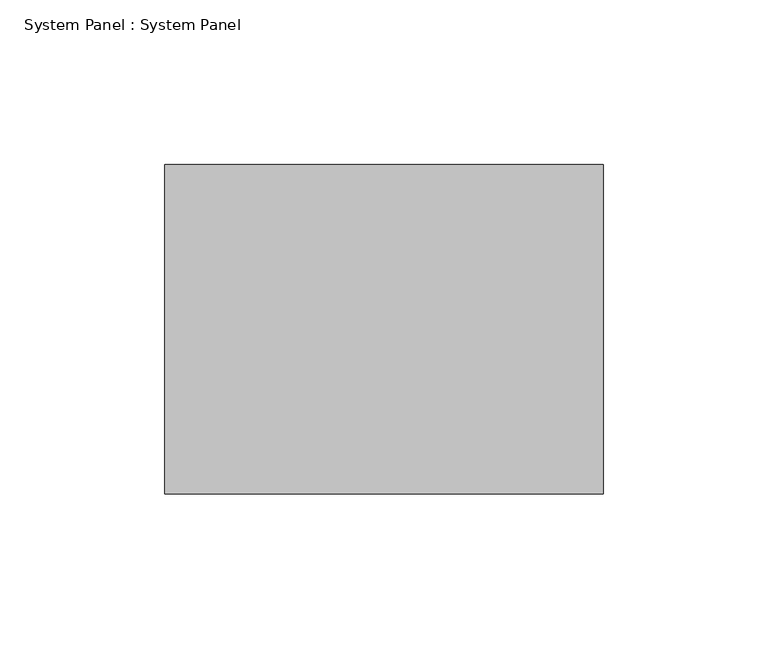
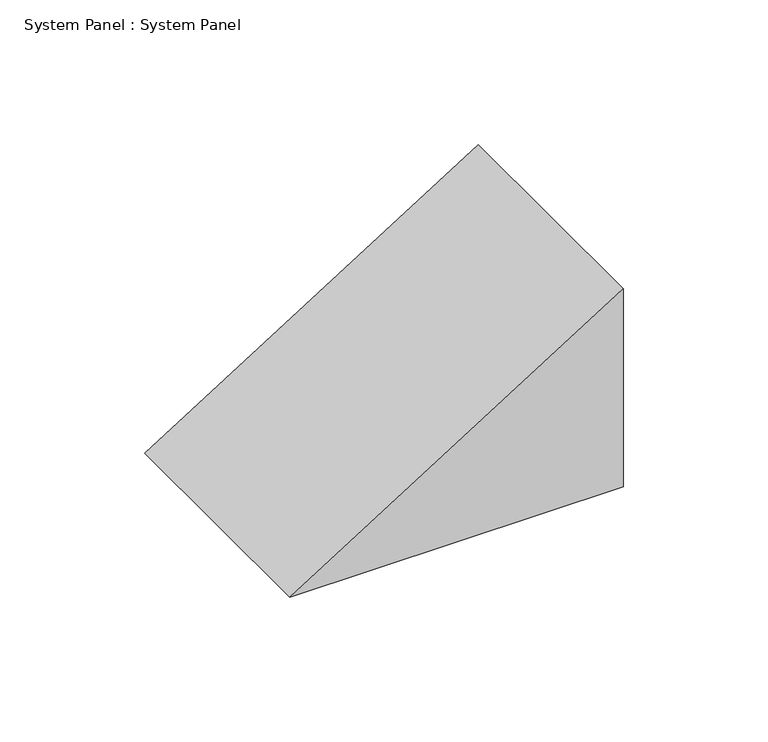
"""IFC4 building model written with IfcOpenShell, lengths in millimetres: plate geometry, System Panel : System Panel."""

import ifcopenshell
import ifcopenshell.guid

model = None  # the IFC model being written
_history = None  # IfcOwnerHistory: only IFC2X3 demands one
_inside = {}  # id of a spatial element -> (the spatial element, [elements in it])
_under = {}  # id of a project, library or spatial element -> (it, [spatial elements below it])
_declared = {}  # id of a project -> (the project, [libraries it declares])
_typed = {}  # id of a type object -> (the type object, [elements of that type])
_made_of = {}  # id of a material, layer set ... -> (it, [elements and type objects made of it])


def new_model(schema):
    """Start an empty IFC model of exactly this schema.

    Asked for "IFC4X3", IfcOpenShell would pick the latest addendum, in which some entities
    have other attributes; the version numbers below select the first issue.
    IFC2X3 requires an IfcOwnerHistory on every rooted entity: one is made here for all.
    """
    global model, _history
    if schema == "IFC4X3":
        model = ifcopenshell.file(schema_version=(4, 3, 0, 0))
    else:
        model = ifcopenshell.file(schema=schema)
    _inside.clear()
    _under.clear()
    _declared.clear()
    _typed.clear()
    _made_of.clear()
    _history = None
    if model.schema == "IFC2X3":
        org = make("IfcOrganization", Name="unknown")
        user = make(
            "IfcPersonAndOrganization",
            ThePerson=make("IfcPerson", FamilyName="unknown"),
            TheOrganization=org,
        )
        app = make(
            "IfcApplication",
            ApplicationDeveloper=org,
            Version="unknown",
            ApplicationFullName="unknown",
            ApplicationIdentifier="unknown",
        )
        _history = make(
            "IfcOwnerHistory",
            OwningUser=user,
            OwningApplication=app,
            ChangeAction="ADDED",
            CreationDate=0,
        )
    return model


def make(cls, **values):
    """One entity of the class cls with the attributes given. An attribute that is None is left unset."""
    return model.create_entity(
        cls, **{name: value for name, value in values.items() if value is not None}
    )


def rooted(cls, **values):
    """An entity with a GlobalId (a new one), such as an element, a storey or a relation."""
    return make(cls, GlobalId=ifcopenshell.guid.new(), OwnerHistory=_history, **values)


def si_unit(unit_type, name, prefix=None):
    """IfcSIUnit, for example si_unit("LENGTHUNIT", "METRE", prefix="MILLI")."""
    return make("IfcSIUnit", UnitType=unit_type, Prefix=prefix, Name=name)


def assignment(units):
    """IfcUnitAssignment: the units of a project."""
    return None if units is None else make("IfcUnitAssignment", Units=units)


def point(xyz):
    """IfcCartesianPoint."""
    return None if xyz is None else make("IfcCartesianPoint", Coordinates=xyz)


def direction(xyz):
    """IfcDirection."""
    return None if xyz is None else make("IfcDirection", DirectionRatios=xyz)


def frame(location, z_axis=None, x_axis=None):
    """IfcAxis2Placement3D, a coordinate frame: its origin and axes. An axis left out is left unset."""
    return make(
        "IfcAxis2Placement3D",
        Location=point(location),
        Axis=direction(z_axis),
        RefDirection=direction(x_axis),
    )


def frame_2d(location, x_axis=None):
    """IfcAxis2Placement2D, a coordinate frame in the plane: its origin and x axis."""
    return make(
        "IfcAxis2Placement2D", Location=point(location), RefDirection=direction(x_axis)
    )


def origin():
    """The frame at (0, 0, 0) with its axes left unset."""
    return frame((0.0, 0.0, 0.0))


def place(relative_to, where):
    """IfcLocalPlacement: puts the frame where relative to a parent placement (None: the world)."""
    return make(
        "IfcLocalPlacement", PlacementRelTo=relative_to, RelativePlacement=where
    )


def context(
    kind, dimensions, precision=None, world=None, true_north=None, identifier=None
):
    """IfcGeometricRepresentationContext, for example the 3D "Model" context."""
    return make(
        "IfcGeometricRepresentationContext",
        ContextIdentifier=identifier,
        ContextType=kind,
        CoordinateSpaceDimension=dimensions,
        Precision=precision,
        WorldCoordinateSystem=world,
        TrueNorth=true_north,
    )


def project(units=None, contexts=None):
    """IfcProject with its units and contexts."""
    return rooted(
        "IfcProject",
        Name="project",
        RepresentationContexts=contexts,
        UnitsInContext=assignment(units),
    )


def spatial(cls, under=None, at=None, **own):
    """A site, building, storey or space (cls), placed at a placement, below another one or the project."""
    s = rooted(cls, ObjectPlacement=at, **own)
    if under is not None:
        _under.setdefault(under.id(), (under, []))[1].append(s)
    return s


def polyline(points):
    """IfcPolyline through the points."""
    return make("IfcPolyline", Points=[point(p) for p in points])


def circle_curve(where, radius):
    """IfcCircle in the frame where."""
    return make("IfcCircle", Position=where, Radius=radius)


def trimmed(basis, trim1, trim2, sense, master):
    """IfcTrimmedCurve: the piece of a basis curve between two trims."""
    return make(
        "IfcTrimmedCurve",
        BasisCurve=basis,
        Trim1=trim1,
        Trim2=trim2,
        SenseAgreement=sense,
        MasterRepresentation=master,
    )


def segment(curve, same_sense, transition):
    """IfcCompositeCurveSegment."""
    return make(
        "IfcCompositeCurveSegment",
        Transition=transition,
        SameSense=same_sense,
        ParentCurve=curve,
    )


def composite_curve(segments, self_intersect=None):
    """IfcCompositeCurve: segments joined end to end."""
    return make("IfcCompositeCurve", Segments=segments, SelfIntersect=self_intersect)


def outline(outer, holes=None, kind="AREA"):
    """IfcArbitraryClosedProfileDef: a profile drawn as a closed curve; with holes, ...WithVoids."""
    if holes is None:
        return make("IfcArbitraryClosedProfileDef", ProfileType=kind, OuterCurve=outer)
    return make(
        "IfcArbitraryProfileDefWithVoids",
        ProfileType=kind,
        OuterCurve=outer,
        InnerCurves=holes,
    )


def extrude(swept, where, along, depth):
    """IfcExtrudedAreaSolid: the profile swept, set in the frame where, extruded along a direction by depth."""
    return make(
        "IfcExtrudedAreaSolid",
        SweptArea=swept,
        Position=where,
        ExtrudedDirection=direction(along),
        Depth=depth,
    )


def shape(context_of_items, identifier, shape_type, items):
    """IfcShapeRepresentation: the items that make up one representation, for example the "Body"."""
    return make(
        "IfcShapeRepresentation",
        ContextOfItems=context_of_items,
        RepresentationIdentifier=identifier,
        RepresentationType=shape_type,
        Items=items,
    )


def source(mapping_origin, context_of_items, identifier, shape_type, items):
    """IfcRepresentationMap: a shape defined once, which mapped items show again and again."""
    return make(
        "IfcRepresentationMap",
        MappingOrigin=mapping_origin,
        MappedRepresentation=shape(context_of_items, identifier, shape_type, items),
    )


def transform(
    local_origin,
    x_axis=None,
    y_axis=None,
    z_axis=None,
    scale=None,
    scale2=None,
    scale3=None,
    uniform=True,
):
    """IfcCartesianTransformationOperator3D, or its non-uniform kind. x_axis, y_axis, z_axis: its Axis1, 2, 3."""
    if uniform:
        return make(
            "IfcCartesianTransformationOperator3D",
            Axis1=direction(x_axis),
            Axis2=direction(y_axis),
            LocalOrigin=point(local_origin),
            Scale=scale,
            Axis3=direction(z_axis),
        )
    return make(
        "IfcCartesianTransformationOperator3DnonUniform",
        Axis1=direction(x_axis),
        Axis2=direction(y_axis),
        LocalOrigin=point(local_origin),
        Scale=scale,
        Axis3=direction(z_axis),
        Scale2=scale2,
        Scale3=scale3,
    )


def mapped(mapping_source, mapping_target):
    """IfcMappedItem: shows the shape of a source again, moved by a transform."""
    return make(
        "IfcMappedItem", MappingSource=mapping_source, MappingTarget=mapping_target
    )


def made_of(thing, what):
    """Note that an element or type object is made of a material, layer set ...; save() writes the relation."""
    if what is not None:
        _made_of.setdefault(what.id(), (what, []))[1].append(thing)
    return thing


def element(
    cls,
    number,
    at=None,
    inside=None,
    cuts=None,
    type_object=None,
    material=None,
    context=None,
    identifier="Body",
    shape_type=None,
    held_by="IfcProductDefinitionShape",
    body=None,
    shapes=None,
    **own,
):
    """One element of the class cls, such as IfcWall. Its Tag is "e" and its number.

    at: its placement. inside: the storey or other place that contains it. cuts: it is an
    opening in that element (IfcRelVoidsElement). A single representation is given by context,
    identifier, shape_type and body (its items); several are given by shapes. held_by: the class
    of the entity that holds the representations. save() writes the other relations.
    """
    e = rooted(cls, Tag="e%d" % number, ObjectPlacement=at, **own)
    if body is not None:
        shapes = [shape(context, identifier, shape_type, body)]
    if shapes is not None:
        e.Representation = make(held_by, Representations=shapes)
    if inside is not None:
        _inside.setdefault(inside.id(), (inside, []))[1].append(e)
    if cuts is not None:
        rooted(
            "IfcRelVoidsElement", RelatingBuildingElement=cuts, RelatedOpeningElement=e
        )
    if type_object is not None:
        _typed.setdefault(type_object.id(), (type_object, []))[1].append(e)
    return made_of(e, material)


def aggregate(whole, parts):
    """IfcRelAggregates: a whole, such as a stair, and the parts it consists of."""
    return rooted("IfcRelAggregates", RelatingObject=whole, RelatedObjects=parts)


def save(model, path):
    """Write the relations noted so far, then the file.

    IfcRelAggregates (storeys below a building ...), IfcRelContainedInSpatialStructure (elements
    in a storey), IfcRelDefinesByType, IfcRelAssociatesMaterial and IfcRelDeclares: one each for
    every whole, place, type object, material and project.
    """
    for whole, parts in _under.values():
        aggregate(whole, parts)
    for where, things in _inside.values():
        rooted(
            "IfcRelContainedInSpatialStructure",
            RelatedElements=things,
            RelatingStructure=where,
        )
    for kind, things in _typed.values():
        rooted("IfcRelDefinesByType", RelatedObjects=things, RelatingType=kind)
    for what, things in _made_of.values():
        rooted("IfcRelAssociatesMaterial", RelatedObjects=things, RelatingMaterial=what)
    for by, libraries in _declared.values():
        rooted("IfcRelDeclares", RelatingContext=by, RelatedDefinitions=libraries)
    model.write(path)


def system_panel_system_panel_3ea0cebd(model_context):
    return source(origin(), model_context, "Body", "SweptSolid", [
        extrude(outline(composite_curve([segment(polyline([(0.0, 66.5088093), (83.4508104, 66.5088093)]), True, "CONTINUOUS"), segment(trimmed(circle_curve(frame_2d((3610.2388382, -2238.7661214)), 4213.3746925), [point((83.4508104, 66.5088093))], [point((0.0, -66.5088093))], True, "CARTESIAN"), True, "CONTINUOUS"), segment(polyline([(0.0, -66.5088093), (0.0, 66.5088093)]), True, "CONTINUOUS")], self_intersect=False)), frame((0.0, -50.0, 0.0), z_axis=(0.0, 1.0, 0.0), x_axis=(0.0, 0.0, 1.0)), (0.0, 0.0, 1.0), 100.0),
    ])


if __name__ == "__main__":
    model = new_model("IFC4")
    model_context = context("Model", 3, world=origin())
    ifc_project = project(units=[si_unit("LENGTHUNIT", "METRE", prefix="MILLI")], contexts=[model_context])
    site = spatial("IfcSite", under=ifc_project)
    building = spatial("IfcBuilding", under=site)
    placement = place(None, origin())
    system_panel_system_panel_shape = system_panel_system_panel_3ea0cebd(model_context)
    element("IfcPlate", 1, ObjectType="System Panel : System Panel", at=placement, inside=building, context=model_context, shape_type="MappedRepresentation", body=[
        mapped(system_panel_system_panel_shape, transform((0.0, 0.0, 0.0), x_axis=(1.0, 0.0, 0.0), y_axis=(0.0, 1.0, 0.0), z_axis=(0.0, 0.0, 1.0))),
    ])
    save(model, "model.ifc")
